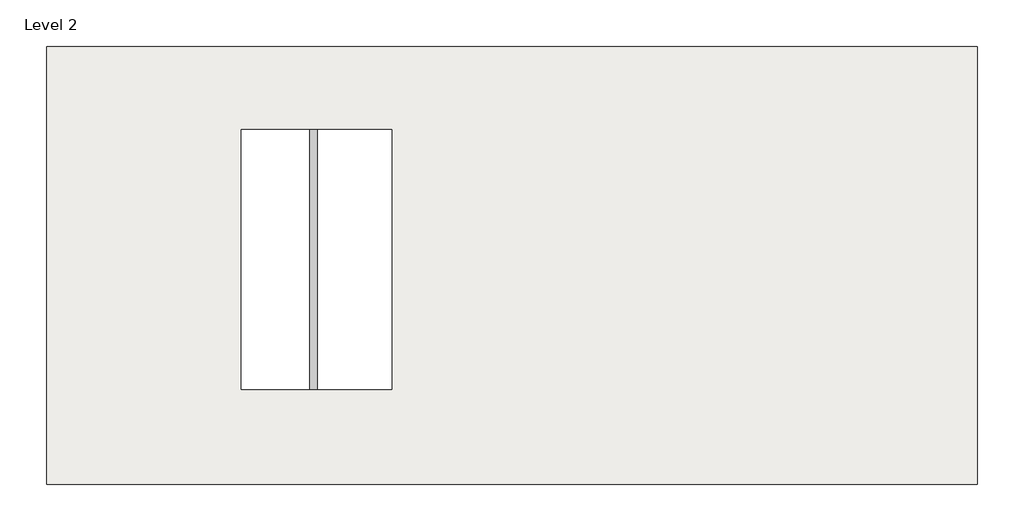
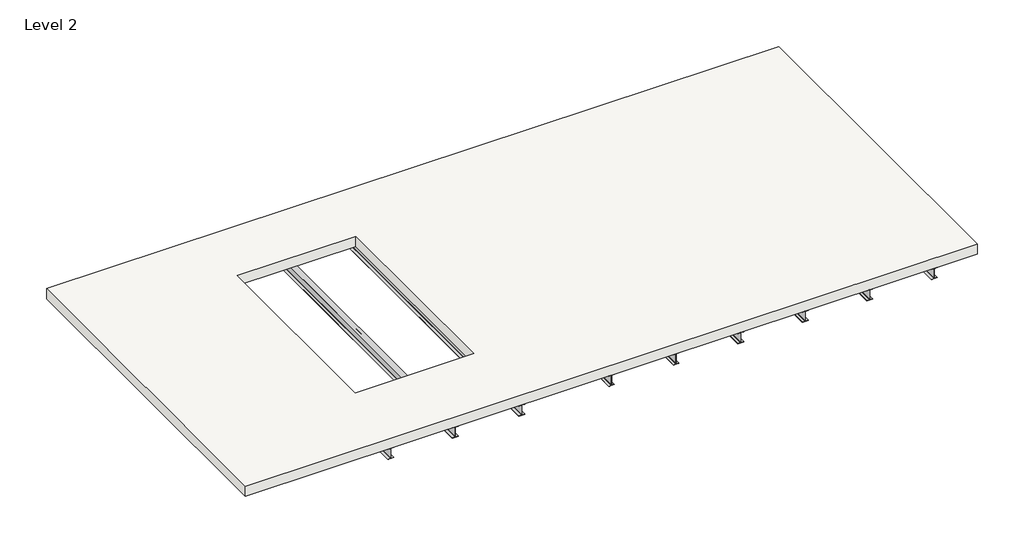
# One storey: 9 beams, 1 slab.
"""IFC4 building model written with IfcOpenShell, lengths in millimetres."""

import ifcopenshell
import ifcopenshell.guid

model = None  # the IFC model being written
_history = None  # IfcOwnerHistory: only IFC2X3 demands one
_inside = {}  # id of a spatial element -> (the spatial element, [elements in it])
_under = {}  # id of a project, library or spatial element -> (it, [spatial elements below it])
_declared = {}  # id of a project -> (the project, [libraries it declares])
_typed = {}  # id of a type object -> (the type object, [elements of that type])
_made_of = {}  # id of a material, layer set ... -> (it, [elements and type objects made of it])


def new_model(schema):
    """Start an empty IFC model of exactly this schema.

    Asked for "IFC4X3", IfcOpenShell would pick the latest addendum, in which some entities
    have other attributes; the version numbers below select the first issue.
    IFC2X3 requires an IfcOwnerHistory on every rooted entity: one is made here for all.
    """
    global model, _history
    if schema == "IFC4X3":
        model = ifcopenshell.file(schema_version=(4, 3, 0, 0))
    else:
        model = ifcopenshell.file(schema=schema)
    _inside.clear()
    _under.clear()
    _declared.clear()
    _typed.clear()
    _made_of.clear()
    _history = None
    if model.schema == "IFC2X3":
        org = make("IfcOrganization", Name="unknown")
        user = make(
            "IfcPersonAndOrganization",
            ThePerson=make("IfcPerson", FamilyName="unknown"),
            TheOrganization=org,
        )
        app = make(
            "IfcApplication",
            ApplicationDeveloper=org,
            Version="unknown",
            ApplicationFullName="unknown",
            ApplicationIdentifier="unknown",
        )
        _history = make(
            "IfcOwnerHistory",
            OwningUser=user,
            OwningApplication=app,
            ChangeAction="ADDED",
            CreationDate=0,
        )
    return model


def make(cls, **values):
    """One entity of the class cls with the attributes given. An attribute that is None is left unset."""
    return model.create_entity(
        cls, **{name: value for name, value in values.items() if value is not None}
    )


def rooted(cls, **values):
    """An entity with a GlobalId (a new one), such as an element, a storey or a relation."""
    return make(cls, GlobalId=ifcopenshell.guid.new(), OwnerHistory=_history, **values)


def si_unit(unit_type, name, prefix=None):
    """IfcSIUnit, for example si_unit("LENGTHUNIT", "METRE", prefix="MILLI")."""
    return make("IfcSIUnit", UnitType=unit_type, Prefix=prefix, Name=name)


def assignment(units):
    """IfcUnitAssignment: the units of a project."""
    return None if units is None else make("IfcUnitAssignment", Units=units)


def point(xyz):
    """IfcCartesianPoint."""
    return None if xyz is None else make("IfcCartesianPoint", Coordinates=xyz)


def direction(xyz):
    """IfcDirection."""
    return None if xyz is None else make("IfcDirection", DirectionRatios=xyz)


def frame(location, z_axis=None, x_axis=None):
    """IfcAxis2Placement3D, a coordinate frame: its origin and axes. An axis left out is left unset."""
    return make(
        "IfcAxis2Placement3D",
        Location=point(location),
        Axis=direction(z_axis),
        RefDirection=direction(x_axis),
    )


def frame_2d(location, x_axis=None):
    """IfcAxis2Placement2D, a coordinate frame in the plane: its origin and x axis."""
    return make(
        "IfcAxis2Placement2D", Location=point(location), RefDirection=direction(x_axis)
    )


def origin():
    """The frame at (0, 0, 0) with its axes left unset."""
    return frame((0.0, 0.0, 0.0))


def place(relative_to, where):
    """IfcLocalPlacement: puts the frame where relative to a parent placement (None: the world)."""
    return make(
        "IfcLocalPlacement", PlacementRelTo=relative_to, RelativePlacement=where
    )


def context(
    kind, dimensions, precision=None, world=None, true_north=None, identifier=None
):
    """IfcGeometricRepresentationContext, for example the 3D "Model" context."""
    return make(
        "IfcGeometricRepresentationContext",
        ContextIdentifier=identifier,
        ContextType=kind,
        CoordinateSpaceDimension=dimensions,
        Precision=precision,
        WorldCoordinateSystem=world,
        TrueNorth=true_north,
    )


def project(units=None, contexts=None):
    """IfcProject with its units and contexts."""
    return rooted(
        "IfcProject",
        Name="project",
        RepresentationContexts=contexts,
        UnitsInContext=assignment(units),
    )


def spatial(cls, under=None, at=None, **own):
    """A site, building, storey or space (cls), placed at a placement, below another one or the project."""
    s = rooted(cls, ObjectPlacement=at, **own)
    if under is not None:
        _under.setdefault(under.id(), (under, []))[1].append(s)
    return s


def polyline(points):
    """IfcPolyline through the points."""
    return make("IfcPolyline", Points=[point(p) for p in points])


def circle_curve(where, radius):
    """IfcCircle in the frame where."""
    return make("IfcCircle", Position=where, Radius=radius)


def trimmed(basis, trim1, trim2, sense, master):
    """IfcTrimmedCurve: the piece of a basis curve between two trims."""
    return make(
        "IfcTrimmedCurve",
        BasisCurve=basis,
        Trim1=trim1,
        Trim2=trim2,
        SenseAgreement=sense,
        MasterRepresentation=master,
    )


def segment(curve, same_sense, transition):
    """IfcCompositeCurveSegment."""
    return make(
        "IfcCompositeCurveSegment",
        Transition=transition,
        SameSense=same_sense,
        ParentCurve=curve,
    )


def composite_curve(segments, self_intersect=None):
    """IfcCompositeCurve: segments joined end to end."""
    return make("IfcCompositeCurve", Segments=segments, SelfIntersect=self_intersect)


def outline(outer, holes=None, kind="AREA"):
    """IfcArbitraryClosedProfileDef: a profile drawn as a closed curve; with holes, ...WithVoids."""
    if holes is None:
        return make("IfcArbitraryClosedProfileDef", ProfileType=kind, OuterCurve=outer)
    return make(
        "IfcArbitraryProfileDefWithVoids",
        ProfileType=kind,
        OuterCurve=outer,
        InnerCurves=holes,
    )


def extrude(swept, where, along, depth):
    """IfcExtrudedAreaSolid: the profile swept, set in the frame where, extruded along a direction by depth."""
    return make(
        "IfcExtrudedAreaSolid",
        SweptArea=swept,
        Position=where,
        ExtrudedDirection=direction(along),
        Depth=depth,
    )


def shape(context_of_items, identifier, shape_type, items):
    """IfcShapeRepresentation: the items that make up one representation, for example the "Body"."""
    return make(
        "IfcShapeRepresentation",
        ContextOfItems=context_of_items,
        RepresentationIdentifier=identifier,
        RepresentationType=shape_type,
        Items=items,
    )


def source(mapping_origin, context_of_items, identifier, shape_type, items):
    """IfcRepresentationMap: a shape defined once, which mapped items show again and again."""
    return make(
        "IfcRepresentationMap",
        MappingOrigin=mapping_origin,
        MappedRepresentation=shape(context_of_items, identifier, shape_type, items),
    )


def transform(
    local_origin,
    x_axis=None,
    y_axis=None,
    z_axis=None,
    scale=None,
    scale2=None,
    scale3=None,
    uniform=True,
):
    """IfcCartesianTransformationOperator3D, or its non-uniform kind. x_axis, y_axis, z_axis: its Axis1, 2, 3."""
    if uniform:
        return make(
            "IfcCartesianTransformationOperator3D",
            Axis1=direction(x_axis),
            Axis2=direction(y_axis),
            LocalOrigin=point(local_origin),
            Scale=scale,
            Axis3=direction(z_axis),
        )
    return make(
        "IfcCartesianTransformationOperator3DnonUniform",
        Axis1=direction(x_axis),
        Axis2=direction(y_axis),
        LocalOrigin=point(local_origin),
        Scale=scale,
        Axis3=direction(z_axis),
        Scale2=scale2,
        Scale3=scale3,
    )


def mapped(mapping_source, mapping_target):
    """IfcMappedItem: shows the shape of a source again, moved by a transform."""
    return make(
        "IfcMappedItem", MappingSource=mapping_source, MappingTarget=mapping_target
    )


def made_of(thing, what):
    """Note that an element or type object is made of a material, layer set ...; save() writes the relation."""
    if what is not None:
        _made_of.setdefault(what.id(), (what, []))[1].append(thing)
    return thing


def element(
    cls,
    number,
    at=None,
    inside=None,
    cuts=None,
    type_object=None,
    material=None,
    context=None,
    identifier="Body",
    shape_type=None,
    held_by="IfcProductDefinitionShape",
    body=None,
    shapes=None,
    **own,
):
    """One element of the class cls, such as IfcWall. Its Tag is "e" and its number.

    at: its placement. inside: the storey or other place that contains it. cuts: it is an
    opening in that element (IfcRelVoidsElement). A single representation is given by context,
    identifier, shape_type and body (its items); several are given by shapes. held_by: the class
    of the entity that holds the representations. save() writes the other relations.
    """
    e = rooted(cls, Tag="e%d" % number, ObjectPlacement=at, **own)
    if body is not None:
        shapes = [shape(context, identifier, shape_type, body)]
    if shapes is not None:
        e.Representation = make(held_by, Representations=shapes)
    if inside is not None:
        _inside.setdefault(inside.id(), (inside, []))[1].append(e)
    if cuts is not None:
        rooted(
            "IfcRelVoidsElement", RelatingBuildingElement=cuts, RelatedOpeningElement=e
        )
    if type_object is not None:
        _typed.setdefault(type_object.id(), (type_object, []))[1].append(e)
    return made_of(e, material)


def aggregate(whole, parts):
    """IfcRelAggregates: a whole, such as a stair, and the parts it consists of."""
    return rooted("IfcRelAggregates", RelatingObject=whole, RelatedObjects=parts)


def save(model, path):
    """Write the relations noted so far, then the file.

    IfcRelAggregates (storeys below a building ...), IfcRelContainedInSpatialStructure (elements
    in a storey), IfcRelDefinesByType, IfcRelAssociatesMaterial and IfcRelDeclares: one each for
    every whole, place, type object, material and project.
    """
    for whole, parts in _under.values():
        aggregate(whole, parts)
    for where, things in _inside.values():
        rooted(
            "IfcRelContainedInSpatialStructure",
            RelatedElements=things,
            RelatingStructure=where,
        )
    for kind, things in _typed.values():
        rooted("IfcRelDefinesByType", RelatedObjects=things, RelatingType=kind)
    for what, things in _made_of.values():
        rooted("IfcRelAssociatesMaterial", RelatedObjects=things, RelatingMaterial=what)
    for by, libraries in _declared.values():
        rooted("IfcRelDeclares", RelatingContext=by, RelatedDefinitions=libraries)
    model.write(path)


def w_shapes_w12x26_9526db45(model_context):
    return source(origin(), model_context, "Body", "SweptSolid", [
        extrude(outline(composite_curve([segment(polyline([(82.423, -145.288), (82.423, -154.94), (-82.423, -154.94), (-82.423, -145.288), (-10.541, -145.288)]), True, "CONTINUOUS"), segment(trimmed(circle_curve(frame_2d((-10.541, -137.668)), 7.62), [point((-10.541, -145.288))], [point((-2.921, -137.668))], True, "CARTESIAN"), True, "CONTINUOUS"), segment(polyline([(-2.921, -137.668), (-2.921, 137.668)]), True, "CONTINUOUS"), segment(trimmed(circle_curve(frame_2d((-10.541, 137.668)), 7.62), [point((-2.921, 137.668))], [point((-10.541, 145.288))], True, "CARTESIAN"), True, "CONTINUOUS"), segment(polyline([(-10.541, 145.288), (-82.423, 145.288), (-82.423, 154.94), (82.423, 154.94), (82.423, 145.288), (10.541, 145.288)]), True, "CONTINUOUS"), segment(trimmed(circle_curve(frame_2d((10.541, 137.668)), 7.62), [point((10.541, 145.288))], [point((2.921, 137.668))], True, "CARTESIAN"), True, "CONTINUOUS"), segment(polyline([(2.921, 137.668), (2.921, -137.668)]), True, "CONTINUOUS"), segment(trimmed(circle_curve(frame_2d((10.541, -137.668)), 7.62), [point((2.921, -137.668))], [point((10.541, -145.288))], True, "CARTESIAN"), True, "CONTINUOUS"), segment(polyline([(10.541, -145.288), (82.423, -145.288)]), True, "CONTINUOUS")], self_intersect=False)), frame((-4876.8, 0.0, 0.0), z_axis=(1.0, 0.0, 0.0), x_axis=(0.0, 1.0, 0.0)), (0.0, 0.0, 1.0), 9753.6),
    ])


model = new_model("IFC4")

# Units and contexts
model_context = context("Model", 3, world=origin())
ifc_project = project(units=[si_unit("LENGTHUNIT", "METRE", prefix="MILLI")], contexts=[model_context])

# Site, building, storey
site = spatial("IfcSite", under=ifc_project)
building = spatial("IfcBuilding", under=site)
storey = spatial("IfcBuildingStorey", under=building, Name="Level 2", Elevation=3048.0)

# Beams
placement = place(None, origin())
w_shapes_w12x26_shape = w_shapes_w12x26_9526db45(model_context)
element("IfcBeam", 1, ObjectType="W Shapes : W12X26", at=placement, inside=storey, context=model_context, shape_type="MappedRepresentation", body=[
    mapped(w_shapes_w12x26_shape, transform((-945.2887611, 810.6178011, 2893.06), x_axis=(0.0, 1.0, 0.0), y_axis=(-1.0, 0.0, 0.0), z_axis=(0.0, 0.0, 1.0))),
])
element("IfcBeam", 2, ObjectType="W Shapes : W12X26", at=placement, inside=storey, context=model_context, shape_type="MappedRepresentation", body=[
    mapped(w_shapes_w12x26_shape, transform((883.5112389, 810.6178011, 2893.06), x_axis=(0.0, 1.0, 0.0), y_axis=(-1.0, 0.0, 0.0), z_axis=(0.0, 0.0, 1.0))),
])
element("IfcBeam", 3, ObjectType="W Shapes : W12X26", at=placement, inside=storey, context=model_context, shape_type="MappedRepresentation", body=[
    mapped(w_shapes_w12x26_shape, transform((2712.3112389, 810.6178011, 2893.06), x_axis=(0.0, 1.0, 0.0), y_axis=(-1.0, 0.0, 0.0), z_axis=(0.0, 0.0, 1.0))),
])
element("IfcBeam", 4, ObjectType="W Shapes : W12X26", at=placement, inside=storey, context=model_context, shape_type="MappedRepresentation", body=[
    mapped(w_shapes_w12x26_shape, transform((4541.1112389, 810.6178011, 2893.06), x_axis=(0.0, 1.0, 0.0), y_axis=(-1.0, 0.0, 0.0), z_axis=(0.0, 0.0, 1.0))),
])
element("IfcBeam", 5, ObjectType="W Shapes : W12X26", at=placement, inside=storey, context=model_context, shape_type="MappedRepresentation", body=[
    mapped(w_shapes_w12x26_shape, transform((6369.9112389, 810.6178011, 2893.06), x_axis=(0.0, 1.0, 0.0), y_axis=(-1.0, 0.0, 0.0), z_axis=(0.0, 0.0, 1.0))),
])
element("IfcBeam", 6, ObjectType="W Shapes : W12X26", at=placement, inside=storey, context=model_context, shape_type="MappedRepresentation", body=[
    mapped(w_shapes_w12x26_shape, transform((8198.7112389, 810.6178011, 2893.06), x_axis=(0.0, 1.0, 0.0), y_axis=(-1.0, 0.0, 0.0), z_axis=(0.0, 0.0, 1.0))),
])
element("IfcBeam", 7, ObjectType="W Shapes : W12X26", at=placement, inside=storey, context=model_context, shape_type="MappedRepresentation", body=[
    mapped(w_shapes_w12x26_shape, transform((-7193.6887611, 810.6178011, 2893.06), x_axis=(0.0, 1.0, 0.0), y_axis=(-1.0, 0.0, 0.0), z_axis=(0.0, 0.0, 1.0))),
])
element("IfcBeam", 8, ObjectType="W Shapes : W12X26", at=placement, inside=storey, context=model_context, shape_type="MappedRepresentation", body=[
    mapped(w_shapes_w12x26_shape, transform((-3485.2887611, 810.6178011, 2893.06), x_axis=(0.0, 1.0, 0.0), y_axis=(-1.0, 0.0, 0.0), z_axis=(0.0, 0.0, 1.0))),
])
element("IfcBeam", 9, ObjectType="W Shapes : W12X26", at=placement, inside=storey, context=model_context, shape_type="MappedRepresentation", body=[
    mapped(w_shapes_w12x26_shape, transform((-5364.8887611, 810.6178011, 2893.06), x_axis=(0.0, 1.0, 0.0), y_axis=(-1.0, 0.0, 0.0), z_axis=(0.0, 0.0, 1.0))),
])

# Slab
element("IfcSlab", 10, ObjectType="Generic - 12\" - Filled", at=placement, inside=storey, context=model_context, shape_type="SweptSolid", body=[
    extrude(outline(polyline([(9417.9112389, 5687.4178011), (9417.9112389, -4066.1821989), (-11308.4887611, -4066.1821989), (-11308.4887611, 5687.4178011), (9417.9112389, 5687.4178011)]), holes=[polyline([(-3623.4406595, 3839.7973447), (-6976.2406595, 3839.7973447), (-6976.2406595, -1951.4026553), (-3623.4406595, -1951.4026553), (-3623.4406595, 3839.7973447)])]), frame((0.0, 0.0, 3048.0), z_axis=(0.0, 0.0, 1.0), x_axis=(1.0, 0.0, 0.0)), (0.0, 0.0, 1.0), 304.8),
])

save(model, "model.ifc")
